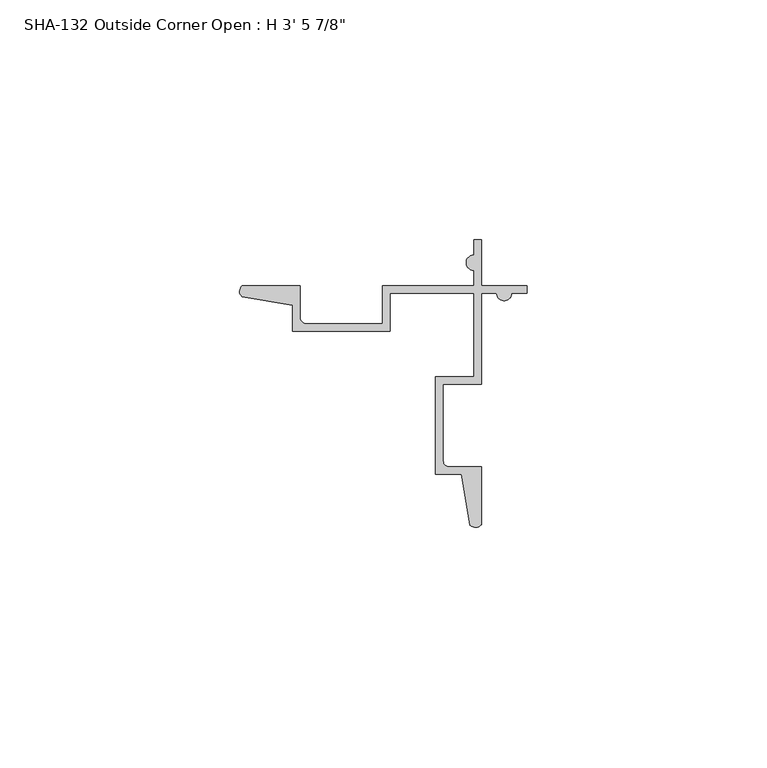
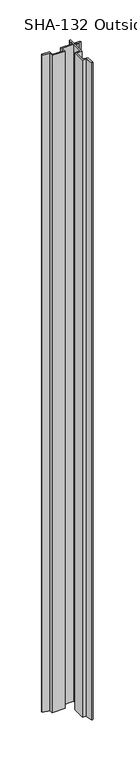
"""IFC4 building model written with IfcOpenShell, lengths in millimetres: proxy geometry."""

from ifc_helpers import new_model, si_unit, point, frame_2d, origin, origin_with_axes, place, context, project, spatial, polyline, circle_curve, trimmed, segment, composite_curve, outline, extrude, source, transform, mapped, element, save


def proxy_4e613d99(model_context):
    return source(origin(), model_context, "Body", "SweptSolid", [
        extrude(outline(composite_curve([segment(trimmed(circle_curve(frame_2d((-28.662637, 17.8573235)), 1.6162393), [point((-29.8194785, 16.7286308))], [point((-29.7533947, 19.05))], False, "CARTESIAN"), True, "CONTINUOUS"), segment(polyline([(-29.7533947, 19.05), (-17.6685916, 19.05), (-17.6685916, 12.3698)]), True, "CONTINUOUS"), segment(trimmed(circle_curve(frame_2d((-16.3985916, 12.3698)), 1.27), [point((-17.6685916, 12.3698))], [point((-16.3985916, 11.0998))], True, "CARTESIAN"), True, "CONTINUOUS"), segment(polyline([(-16.3985916, 11.0998), (-0.5021705, 11.0998), (-0.5021705, 19.05), (18.5478295, 19.05), (18.5478295, 22.2377)]), True, "CONTINUOUS"), segment(trimmed(circle_curve(frame_2d((18.5478295, 23.8125)), 1.5748), [point((18.5478295, 22.2377))], [point((18.5478295, 25.3873))], False, "CARTESIAN"), True, "CONTINUOUS"), segment(polyline([(18.5478295, 25.3873), (18.5478295, 28.575), (20.1226295, 28.575), (20.1226295, 19.05), (29.6476295, 19.05), (29.6476295, 17.4752), (26.4599295, 17.4752)]), True, "CONTINUOUS"), segment(trimmed(circle_curve(frame_2d((24.8851295, 17.4752)), 1.5748), [point((26.4599295, 17.4752))], [point((23.3103295, 17.4752))], False, "CARTESIAN"), True, "CONTINUOUS"), segment(polyline([(23.3103295, 17.4752), (20.1226295, 17.4752), (20.1226295, -1.5748), (12.1724295, -1.5748), (12.1724295, -17.4712211)]), True, "CONTINUOUS"), segment(trimmed(circle_curve(frame_2d((13.4424295, -17.4712211)), 1.27), [point((12.1724295, -17.4712211))], [point((13.4424295, -18.7412211))], True, "CARTESIAN"), True, "CONTINUOUS"), segment(polyline([(13.4424295, -18.7412211), (20.1226295, -18.7412211), (20.1226295, -30.8260242)]), True, "CONTINUOUS"), segment(trimmed(circle_curve(frame_2d((18.929953, -29.7352665)), 1.6162393), [point((20.1226295, -30.8260242))], [point((17.8012602, -30.892108))], False, "CARTESIAN"), True, "CONTINUOUS"), segment(polyline([(17.8012602, -30.892108), (15.9902864, -20.3160211), (10.5976295, -20.3160211), (10.5976295, 0.0), (18.5478295, 0.0), (18.5478295, 17.4752), (1.0726295, 17.4752), (1.0726295, 9.525), (-19.2433916, 9.525), (-19.2433916, 14.917657), (-29.8194785, 16.7286308)]), True, "CONTINUOUS")], self_intersect=False)), origin_with_axes(), (0.0, 0.0, 1.0), 1063.625),
    ])


if __name__ == "__main__":
    model = new_model("IFC4")
    model_context = context("Model", 3, world=origin())
    ifc_project = project(units=[si_unit("LENGTHUNIT", "METRE", prefix="MILLI")], contexts=[model_context])
    site = spatial("IfcSite", under=ifc_project)
    building = spatial("IfcBuilding", under=site)
    placement = place(None, origin())
    proxy_shape = proxy_4e613d99(model_context)
    element("IfcBuildingElementProxy", 1, Name="SHA-132 Outside Corner Open : H 3' 5 7/8\"", ObjectType="SHA-132 Outside Corner Open : H 3' 5 7/8\"", at=placement, inside=building, context=model_context, shape_type="MappedRepresentation", body=[
        mapped(proxy_shape, transform((0.0, 0.0, 0.0), x_axis=(1.0, 0.0, 0.0), y_axis=(0.0, 1.0, 0.0), z_axis=(0.0, 0.0, 1.0))),
    ])
    save(model, "model.ifc")
